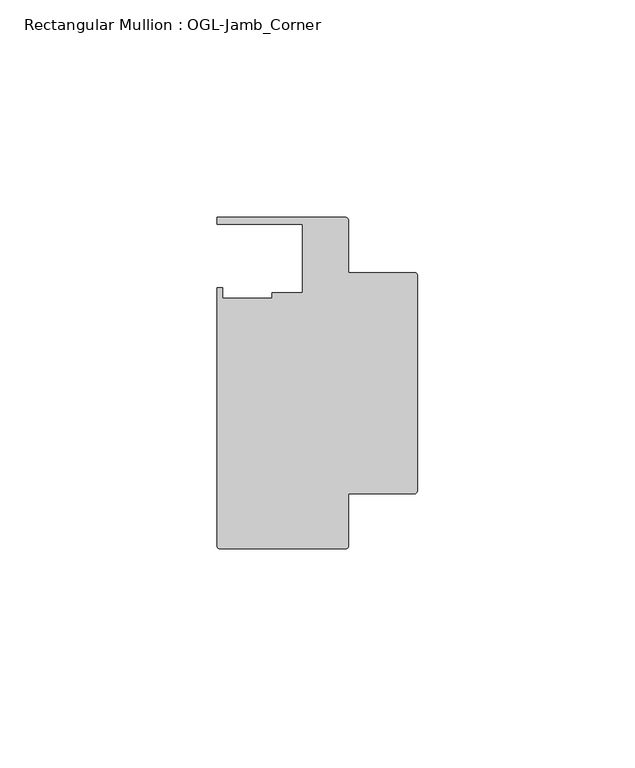
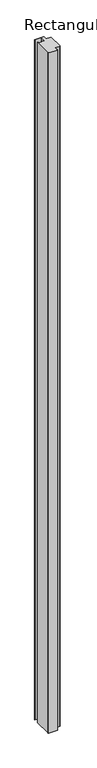
"""IFC4 building model written with IfcOpenShell, lengths in millimetres: member geometry, Rectangular Mullion : OGL-Jamb_Corner."""

from ifc_helpers import new_model, si_unit, point, frame, frame_2d, origin, place, context, project, spatial, polyline, circle_curve, trimmed, segment, composite_curve, outline, extrude, source, transform, mapped, element, save


def rectangular_mullion_ogl_jamb_corner_18d72b9d(model_context):
    return source(origin(), model_context, "Body", "SweptSolid", [
        extrude(outline(composite_curve([segment(polyline([(-0.5953125, -55.5625), (-15.8750672, -55.5625), (-15.8750672, -67.6668667)]), True, "CONTINUOUS"), segment(trimmed(circle_curve(frame_2d((-16.4703797, -67.6668667)), 0.5953125), [point((-15.8750672, -67.6668667))], [point((-16.4703797, -68.2621792))], False, "CARTESIAN"), True, "CONTINUOUS"), segment(polyline([(-16.4703797, -68.2621792), (-45.4386473, -68.2621792)]), True, "CONTINUOUS"), segment(trimmed(circle_curve(frame_2d((-45.4386473, -67.6668667)), 0.5953125), [point((-45.4386473, -68.2621792))], [point((-46.0339598, -67.6668667))], False, "CARTESIAN"), True, "CONTINUOUS"), segment(polyline([(-46.0339598, -67.6668667), (-46.0339598, -8.1914024), (-44.7780305, -8.1914024), (-44.7780305, -10.6800725), (-33.3985545, -10.6800725), (-33.3985545, -9.3367652), (-26.3720794, -9.3367652), (-26.3720794, 6.350016), (-46.0248655, 6.350016), (-46.0248655, 7.937516), (-16.4703797, 7.937516)]), True, "CONTINUOUS"), segment(trimmed(circle_curve(frame_2d((-16.4703797, 7.3422035)), 0.5953125), [point((-16.4703797, 7.937516))], [point((-15.8750672, 7.3422035))], False, "CARTESIAN"), True, "CONTINUOUS"), segment(polyline([(-15.8750672, 7.3422035), (-15.8750672, -4.7625), (-0.5953125, -4.7625)]), True, "CONTINUOUS"), segment(trimmed(circle_curve(frame_2d((-0.5953125, -5.3578125)), 0.5953125), [point((-0.5953125, -4.7625))], [point((0.0, -5.3578125))], False, "CARTESIAN"), True, "CONTINUOUS"), segment(polyline([(0.0, -5.3578125), (0.0, -54.9671875)]), True, "CONTINUOUS"), segment(trimmed(circle_curve(frame_2d((-0.5953125, -54.9671875)), 0.5953125), [point((0.0, -54.9671875))], [point((-0.5953125, -55.5625))], False, "CARTESIAN"), True, "CONTINUOUS")], self_intersect=False)), frame((0.0, 0.0, -2339.9738578), z_axis=(0.0, 0.0, 1.0), x_axis=(1.0, 0.0, 0.0)), (0.0, 0.0, 1.0), 2339.9738578),
    ])


if __name__ == "__main__":
    model = new_model("IFC4")
    model_context = context("Model", 3, world=origin())
    ifc_project = project(units=[si_unit("LENGTHUNIT", "METRE", prefix="MILLI")], contexts=[model_context])
    site = spatial("IfcSite", under=ifc_project)
    building = spatial("IfcBuilding", under=site)
    placement = place(None, origin())
    rectangular_mullion_ogl_jamb_corner_shape = rectangular_mullion_ogl_jamb_corner_18d72b9d(model_context)
    element("IfcMember", 1, ObjectType="Rectangular Mullion : OGL-Jamb_Corner", at=placement, inside=building, context=model_context, shape_type="MappedRepresentation", body=[
        mapped(rectangular_mullion_ogl_jamb_corner_shape, transform((0.0, 0.0, 0.0), x_axis=(1.0, 0.0, 0.0), y_axis=(0.0, 1.0, 0.0), z_axis=(0.0, 0.0, 1.0))),
    ])
    save(model, "model.ifc")
